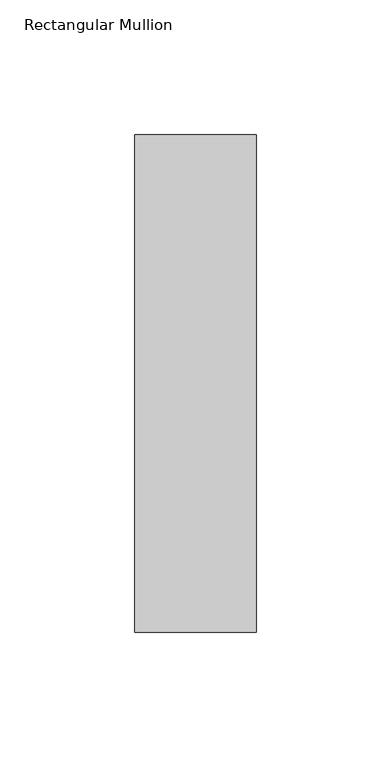
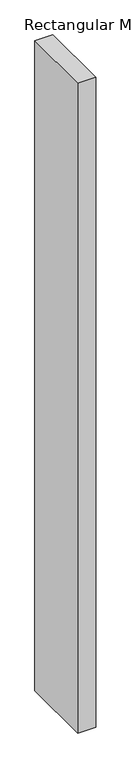
"""IFC4 building model written with IfcOpenShell, lengths in millimetres: member geometry, Rectangular Mullion."""

from ifc_helpers import new_model, si_unit, frame, origin, place, context, project, spatial, polyline, outline, extrude, source, transform, mapped, element, save


def rectangular_mullion_c297d6b1(model_context):
    return source(origin(), model_context, "Body", "SweptSolid", [
        extrude(outline(polyline([(22.5, 137.84375), (22.5, -46.84375), (-22.5, -46.84375), (-22.5, 137.84375), (22.5, 137.84375)])), frame((0.0, 0.0, -1708.8912252), z_axis=(0.0, 0.0, 1.0), x_axis=(1.0, 0.0, 0.0)), (0.0, 0.0, 1.0), 1708.8912252),
    ])


if __name__ == "__main__":
    model = new_model("IFC4")
    model_context = context("Model", 3, world=origin())
    ifc_project = project(units=[si_unit("LENGTHUNIT", "METRE", prefix="MILLI")], contexts=[model_context])
    site = spatial("IfcSite", under=ifc_project)
    building = spatial("IfcBuilding", under=site)
    placement = place(None, origin())
    rectangular_mullion_shape = rectangular_mullion_c297d6b1(model_context)
    element("IfcMember", 1, ObjectType="Rectangular Mullion", at=placement, inside=building, context=model_context, shape_type="MappedRepresentation", body=[
        mapped(rectangular_mullion_shape, transform((0.0, 0.0, 0.0), x_axis=(1.0, 0.0, 0.0), y_axis=(0.0, 1.0, 0.0), z_axis=(0.0, 0.0, 1.0))),
    ])
    save(model, "model.ifc")
